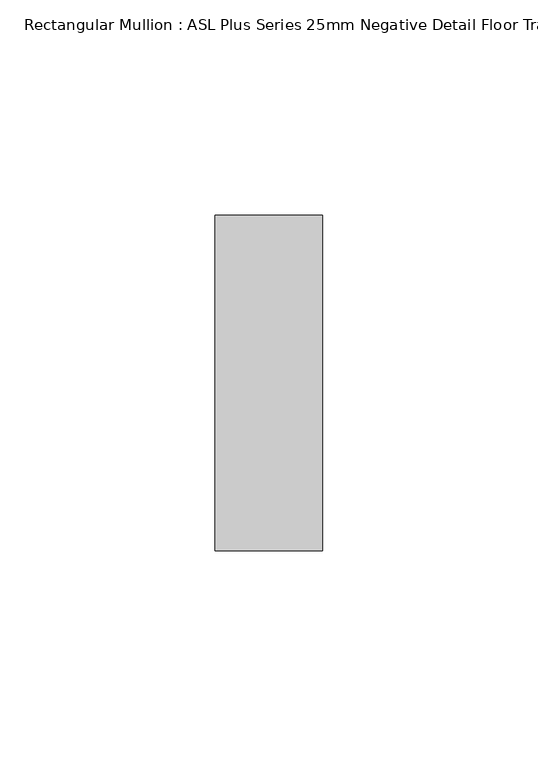
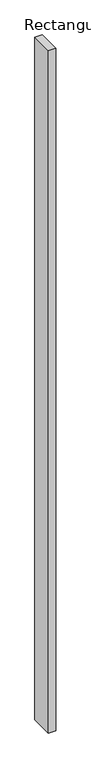
"""IFC4 building model written with IfcOpenShell, lengths in millimetres: member geometry, Rectangular Mullion : ASL Plus Series 25mm Negative Detail Floor Track-64mm stud."""

from ifc_helpers import new_model, si_unit, frame, origin, place, context, project, spatial, polyline, outline, extrude, source, transform, mapped, element, save


def rectangular_mullion_asl_plus_series_25mm_negative_detail_a6178cde(model_context):
    return source(origin(), model_context, "Body", "SweptSolid", [
        extrude(outline(polyline([(0.0, 39.0), (0.0, -39.0), (-25.0, -39.0), (-25.0, 39.0), (0.0, 39.0)])), frame((0.0, 0.0, -2400.0), z_axis=(0.0, 0.0, 1.0), x_axis=(1.0, 0.0, 0.0)), (0.0, 0.0, 1.0), 2400.0),
    ])


if __name__ == "__main__":
    model = new_model("IFC4")
    model_context = context("Model", 3, world=origin())
    ifc_project = project(units=[si_unit("LENGTHUNIT", "METRE", prefix="MILLI")], contexts=[model_context])
    site = spatial("IfcSite", under=ifc_project)
    building = spatial("IfcBuilding", under=site)
    placement = place(None, origin())
    rectangular_mullion_asl_plus_series_25mm_negative_detail_shape = rectangular_mullion_asl_plus_series_25mm_negative_detail_a6178cde(model_context)
    element("IfcMember", 1, ObjectType="Rectangular Mullion : ASL Plus Series 25mm Negative Detail Floor Track-64mm stud", at=placement, inside=building, context=model_context, shape_type="MappedRepresentation", body=[
        mapped(rectangular_mullion_asl_plus_series_25mm_negative_detail_shape, transform((0.0, 0.0, 0.0), x_axis=(1.0, 0.0, 0.0), y_axis=(0.0, 1.0, 0.0), z_axis=(0.0, 0.0, 1.0))),
    ])
    save(model, "model.ifc")
